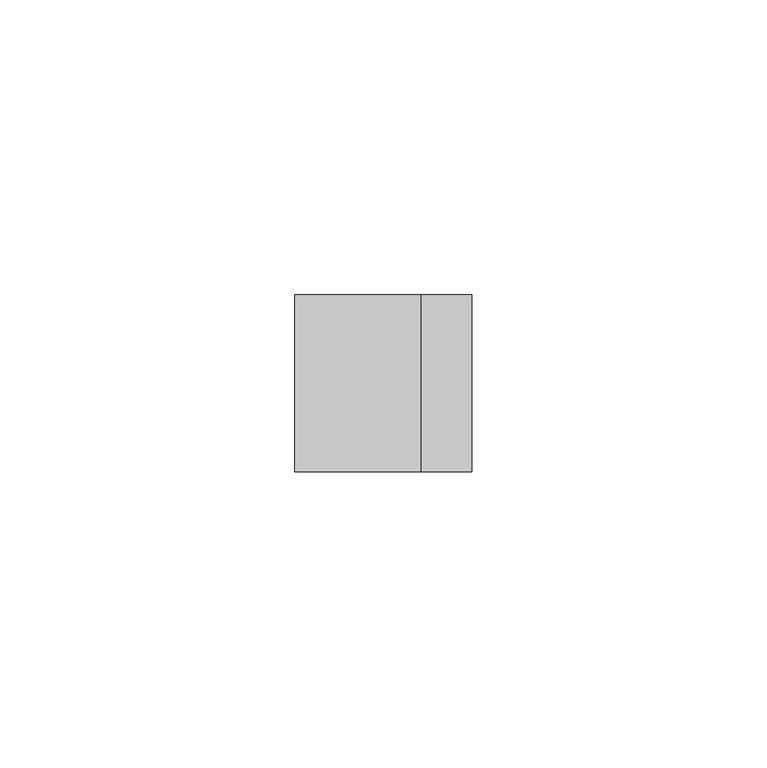
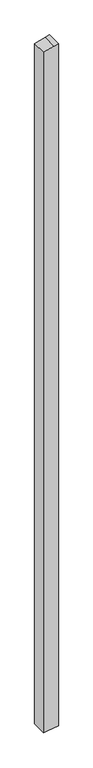
"""IFC4 building model written with IfcOpenShell, lengths in millimetres: member geometry."""

from ifc_helpers import new_model, si_unit, frame, origin, place, context, project, spatial, polyline, outline, extrude, source, transform, mapped, element, save


def member_47f8173f(model_context):
    return source(origin(), model_context, "Body", "SweptSolid", [
        extrude(outline(polyline([(3.1373334, 15.0), (0.8518543, 6.4704761), (-4.9011424, -15.0), (-1443.9769407, -15.0), (-1442.8537162, -6.7259094), (-1439.9043801, 15.0), (3.1373334, 15.0)])), frame((0.0, -15.0, 0.0), z_axis=(0.0, 1.0, 0.0), x_axis=(0.0, 0.0, 1.0)), (0.0, 0.0, 1.0), 30.0),
    ])


if __name__ == "__main__":
    model = new_model("IFC4")
    model_context = context("Model", 3, world=origin())
    ifc_project = project(units=[si_unit("LENGTHUNIT", "METRE", prefix="MILLI")], contexts=[model_context])
    site = spatial("IfcSite", under=ifc_project)
    building = spatial("IfcBuilding", under=site)
    placement = place(None, origin())
    member_shape = member_47f8173f(model_context)
    element("IfcMember", 1, at=placement, inside=building, context=model_context, shape_type="MappedRepresentation", body=[
        mapped(member_shape, transform((0.0, 0.0, 0.0), x_axis=(1.0, 0.0, 0.0), y_axis=(0.0, 1.0, 0.0), z_axis=(0.0, 0.0, 1.0))),
    ])
    save(model, "model.ifc")
